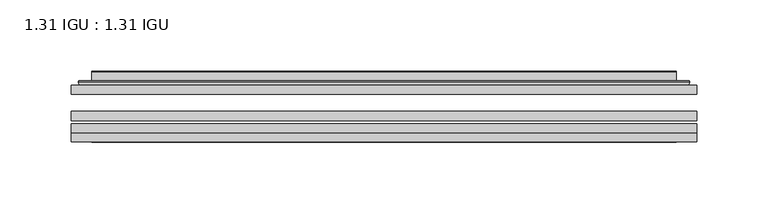
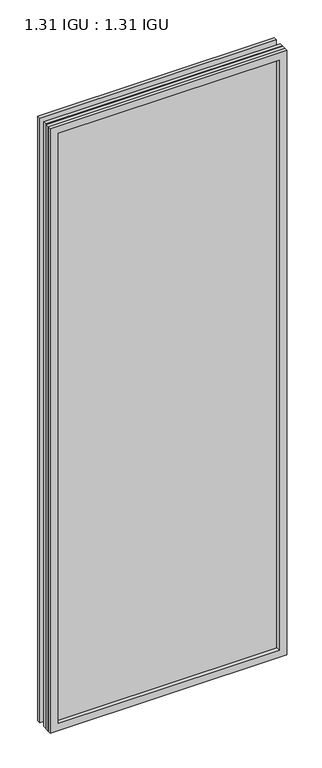
"""IFC4 building model written with IfcOpenShell, lengths in millimetres: plate geometry, 1.31 IGU : 1.31 IGU."""

from ifc_helpers import new_model, si_unit, frame, origin, place, context, project, spatial, polyline, ellipse_curve, outline, extrude, faceted_brep, source, transform, mapped, element, save
from ifc_brep_helpers import plane_surface, cylinder_surface, advanced_brep


def plate_1_31_igu_1_31_igu_5d837920(model_context):
    return source(origin(), model_context, "Body", "SolidModel", [
        extrude(outline(polyline([(219.089175, -63.59525), (219.089175, -69.94525), (-219.075, -69.94525), (-219.075, -63.59525), (219.089175, -63.59525)])), frame((0.0, 0.0, -14.2875), z_axis=(0.0, 0.0, 1.0), x_axis=(1.0, 0.0, 0.0)), (0.0, 0.0, 1.0), 1184.2787979),
        extrude(outline(polyline([(-219.075, -78.58125), (-219.075, -72.230745), (219.089175, -72.230745), (219.089175, -78.58125), (-219.075, -78.58125)])), frame((0.0, 0.0, -14.2875), z_axis=(0.0, 0.0, 1.0), x_axis=(1.0, 0.0, 0.0)), (0.0, 0.0, 1.0), 1184.2787979),
        extrude(outline(polyline([(219.089175, -45.25645), (219.089175, -51.60645), (-219.075, -51.60645), (-219.075, -45.25645), (219.089175, -45.25645)])), frame((0.0, 0.0, -14.2875), z_axis=(0.0, 0.0, 1.0), x_axis=(1.0, 0.0, 0.0)), (0.0, 0.0, 1.0), 1184.2787979),
        faceted_brep([(-219.0877, -84.93125, 1170.0002), (-219.0877, -78.58125, 1170.0002), (-219.0877, -78.58125, -14.3002), (-219.0877, -84.93125, -14.3002), (219.0877, -78.58125, -14.3002), (219.0877, -84.93125, -14.3002), (219.0877, -78.58125, 1170.0002), (219.0877, -84.93125, 1170.0002), (-203.8897559, -78.58125, 0.8977441), (203.8897559, -78.58125, 0.8977441), (203.8897559, -78.58125, 1154.8022559), (-203.8897559, -78.58125, 1154.8022559), (-204.7821902, -84.93125, 1155.6946902), (204.7821902, -84.93125, 1155.6946902), (204.7821902, -84.93125, 0.0053098), (-204.7821902, -84.93125, 0.0053098)], [[[0, 1, 2, 3]], [[3, 2, 4, 5]], [[5, 4, 6, 7]], [[1, 6, 4, 2], [8, 9, 10, 11]], [[7, 6, 1, 0]], [[3, 5, 7, 0], [12, 13, 14, 15]], [[11, 12, 15, 8]], [[8, 15, 14, 9]], [[9, 14, 13, 10]], [[10, 13, 12, 11]]]),
        advanced_brep(
        [(-211.833719, -45.25645, 1162.746219), (-214.1879244, -43.2667833, 1165.1004244), (-214.1879244, -43.2667833, -9.4004244), (-211.833719, -45.25645, -7.046219), (-202.7593939, -41.416413, 1153.6718939), (-197.8245621, -45.25645, 1148.7370621), (-197.8245621, -45.25645, 6.9629379), (-202.7593939, -41.416413, 2.0281061), (-203.7914217, -36.0191819, 1154.7039217), (-203.7914217, -36.0191819, 0.9960783), (-204.7820784, -35.6202069, 1155.6945784), (-204.7820784, -35.6202069, 0.0054216), (-204.7820784, -42.08145, 1155.6945784), (-204.7820784, -42.08145, 0.0054216), (-213.1861349, -42.08145, 1164.0986349), (-213.1861349, -42.08145, -8.3986349), (214.1879244, -43.2667833, -9.4004244), (211.833719, -45.25645, -7.046219), (197.8245621, -45.25645, 6.9629379), (202.7593939, -41.416413, 2.0281061), (203.7914217, -36.0191819, 0.9960783), (204.7820784, -35.6202069, 0.0054216), (204.7820784, -42.08145, 0.0054216), (213.1861349, -42.08145, -8.3986349), (214.1879244, -43.2667833, 1165.1004244), (211.833719, -45.25645, 1162.746219), (197.8245621, -45.25645, 1148.7370621), (202.7593939, -41.416413, 1153.6718939), (203.7914217, -36.0191819, 1154.7039217), (204.7820784, -35.6202069, 1155.6945784), (204.7820784, -42.08145, 1155.6945784), (213.1861349, -42.08145, 1164.0986349)],
        [
            (0, 1, ellipse_curve(frame((-211.833719, -42.86885, 1162.746219), z_axis=(-0.7071067811865475, 0.0, -0.7071067811865475), x_axis=(-0.7071067811865474, 0.0, 0.7071067811865476)), 3.3765763, 2.3876)),
            (1, 2),
            (2, 3, ellipse_curve(frame((-211.833719, -42.86885, -7.046219), z_axis=(-0.7071067811865475, 0.0, 0.7071067811865475), x_axis=(0.7071067811865474, 0.0, 0.7071067811865476)), 3.3765763, 2.3876)),
            (3, 0),
            (4, 5),
            (5, 6),
            (6, 7),
            (7, 4),
            (8, 4),
            (7, 9),
            (9, 8),
            (10, 8, ellipse_curve(frame((-204.4151219, -36.1384423, 1155.3276219), z_axis=(-0.7071067811865475, 0.0, -0.7071067811865475), x_axis=(-0.7071067811865474, 0.0, 0.7071067811865476)), 0.8980256, 0.635)),
            (9, 11, ellipse_curve(frame((-204.4151219, -36.1384423, 0.3723781), z_axis=(-0.7071067811865475, 0.0, 0.7071067811865475), x_axis=(0.7071067811865474, 0.0, 0.7071067811865476)), 0.8980256, 0.635)),
            (11, 10),
            (12, 10),
            (11, 13),
            (13, 12),
            (1, 14, ellipse_curve(frame((-213.1861349, -43.09745, 1164.0986349), z_axis=(-0.7071067811865475, 0.0, -0.7071067811865475), x_axis=(-0.7071067811865474, 0.0, 0.7071067811865476)), 1.436841, 1.016)),
            (14, 15),
            (15, 2, ellipse_curve(frame((-213.1861349, -43.09745, -8.3986349), z_axis=(-0.7071067811865475, 0.0, 0.7071067811865475), x_axis=(0.7071067811865474, 0.0, 0.7071067811865476)), 1.436841, 1.016)),
            (2, 16),
            (16, 17, ellipse_curve(frame((211.833719, -42.86885, -7.046219), z_axis=(-0.7071067811865475, 0.0, -0.7071067811865475), x_axis=(-0.7071067811865476, 0.0, 0.7071067811865474)), 3.3765763, 2.3876)),
            (17, 3),
            (6, 18),
            (18, 19),
            (19, 7),
            (19, 20),
            (20, 9),
            (20, 21, ellipse_curve(frame((204.4151219, -36.1384423, 0.3723781), z_axis=(-0.7071067811865475, 0.0, -0.7071067811865475), x_axis=(-0.7071067811865476, 0.0, 0.7071067811865474)), 0.8980256, 0.635)),
            (21, 11),
            (21, 22),
            (22, 13),
            (15, 23),
            (23, 16, ellipse_curve(frame((213.1861349, -43.09745, -8.3986349), z_axis=(-0.7071067811865475, 0.0, -0.7071067811865475), x_axis=(-0.7071067811865476, 0.0, 0.7071067811865474)), 1.436841, 1.016)),
            (16, 24),
            (24, 25, ellipse_curve(frame((211.833719, -42.86885, 1162.746219), z_axis=(0.7071067811865475, 0.0, -0.7071067811865475), x_axis=(-0.7071067811865474, 0.0, -0.7071067811865476)), 3.3765763, 2.3876)),
            (25, 17),
            (18, 26),
            (26, 27),
            (27, 19),
            (27, 28),
            (28, 20),
            (28, 29, ellipse_curve(frame((204.4151219, -36.1384423, 1155.3276219), z_axis=(0.7071067811865475, 0.0, -0.7071067811865475), x_axis=(-0.7071067811865474, 0.0, -0.7071067811865476)), 0.8980256, 0.635)),
            (29, 21),
            (29, 30),
            (30, 22),
            (23, 31),
            (31, 24, ellipse_curve(frame((213.1861349, -43.09745, 1164.0986349), z_axis=(0.7071067811865475, 0.0, -0.7071067811865475), x_axis=(-0.7071067811865474, 0.0, -0.7071067811865476)), 1.436841, 1.016)),
            (24, 1),
            (0, 25),
            (5, 26),
            (4, 27),
            (8, 28),
            (10, 29),
            (12, 30),
            (14, 31),
        ],
        [
            cylinder_surface(frame((-211.833719, -42.86885, 1187.45), z_axis=(0.0, 0.0, 1.0), x_axis=(-1.0, 0.0, 0.0)), 2.3876),
            plane_surface(frame((-197.8245621, -45.25645, 1148.7370621), z_axis=(0.6141233906514794, 0.7892100234124821, 0.0), x_axis=(0.0, 0.0, -1.0))),
            plane_surface(frame((-202.7593939, -41.416413, 1153.6718939), z_axis=(0.9822050625507729, 0.18781164793386076, 0.0), x_axis=(0.0, 0.0, -1.0))),
            cylinder_surface(frame((-204.4151219, -36.1384423, 1187.45), z_axis=(0.0, 0.0, 1.0), x_axis=(-1.0, 0.0, 0.0)), 0.635),
            plane_surface(frame((-204.7820784, -35.6202069, 1155.6945784), z_axis=(-1.0, 0.0, 0.0), x_axis=(0.0, 0.0, -1.0))),
            cylinder_surface(frame((-213.1861349, -43.09745, 1187.45), z_axis=(0.0, 0.0, 1.0), x_axis=(-1.0, 0.0, 0.0)), 1.016),
            cylinder_surface(frame((-236.5375, -42.86885, -7.046219), z_axis=(-1.0, 0.0, 0.0), x_axis=(0.0, 0.0, -1.0)), 2.3876),
            plane_surface(frame((-197.8245621, -45.25645, 6.9629379), z_axis=(0.0, 0.7892100234124841, 0.6141233906514768), x_axis=(1.0, 0.0, 0.0))),
            plane_surface(frame((-202.7593939, -41.416413, 2.0281061), z_axis=(0.0, 0.18781164793386393, 0.9822050625507723), x_axis=(1.0, 0.0, 0.0))),
            cylinder_surface(frame((-236.5375, -36.1384423, 0.3723781), z_axis=(-1.0, 0.0, 0.0), x_axis=(0.0, 0.0, -1.0)), 0.635),
            plane_surface(frame((-204.7820784, -35.6202069, 0.0054216), z_axis=(0.0, 0.0, -1.0), x_axis=(1.0, 0.0, 0.0))),
            cylinder_surface(frame((-236.5375, -43.09745, -8.3986349), z_axis=(-1.0, 0.0, 0.0), x_axis=(0.0, 0.0, -1.0)), 1.016),
            cylinder_surface(frame((211.833719, -42.86885, -31.75), z_axis=(0.0, 0.0, -1.0), x_axis=(1.0, 0.0, 0.0)), 2.3876),
            plane_surface(frame((197.8245621, -45.25645, 6.9629379), z_axis=(-0.6141233906514743, 0.7892100234124861, 0.0), x_axis=(0.0, 0.0, 1.0))),
            plane_surface(frame((202.7593939, -41.416413, 2.0281061), z_axis=(-0.9822050625507718, 0.1878116479338671, 0.0), x_axis=(0.0, 0.0, 1.0))),
            cylinder_surface(frame((204.4151219, -36.1384423, -31.75), z_axis=(0.0, 0.0, -1.0), x_axis=(1.0, 0.0, 0.0)), 0.635),
            plane_surface(frame((204.7820784, -35.6202069, 0.0054216), z_axis=(1.0, 0.0, 0.0), x_axis=(0.0, 0.0, 1.0))),
            cylinder_surface(frame((213.1861349, -43.09745, -31.75), z_axis=(0.0, 0.0, -1.0), x_axis=(1.0, 0.0, 0.0)), 1.016),
            cylinder_surface(frame((236.5375, -42.86885, 1162.746219), z_axis=(1.0, 0.0, 0.0), x_axis=(0.0, 0.0, 1.0)), 2.3876),
            plane_surface(frame((211.833719, -45.25645, 1162.746219), z_axis=(0.0, -1.0, 0.0), x_axis=(-1.0, 0.0, 0.0))),
            plane_surface(frame((197.8245621, -45.25645, 1148.7370621), z_axis=(0.0, 0.7892100234124841, -0.6141233906514768), x_axis=(-1.0, 0.0, 0.0))),
            plane_surface(frame((202.7593939, -41.416413, 1153.6718939), z_axis=(0.0, 0.18781164793386393, -0.9822050625507723), x_axis=(-1.0, 0.0, 0.0))),
            cylinder_surface(frame((236.5375, -36.1384423, 1155.3276219), z_axis=(1.0, 0.0, 0.0), x_axis=(0.0, 0.0, 1.0)), 0.635),
            plane_surface(frame((204.7820784, -35.6202069, 1155.6945784), z_axis=(0.0, 0.0, 1.0), x_axis=(-1.0, 0.0, 0.0))),
            plane_surface(frame((204.7820784, -42.08145, 1155.6945784), z_axis=(0.0, 1.0, 0.0), x_axis=(-1.0, 0.0, 0.0))),
            cylinder_surface(frame((236.5375, -43.09745, 1164.0986349), z_axis=(1.0, 0.0, 0.0), x_axis=(0.0, 0.0, 1.0)), 1.016),
        ],
        [
            (0, [[1, 2, 3, 4]]),
            (1, [[5, 6, 7, 8]]),
            (2, [[9, -8, 10, 11]]),
            (3, [[12, -11, 13, 14]]),
            (4, [[15, -14, 16, 17]]),
            (5, [[18, 19, 20, -2]]),
            (6, [[-3, 21, 22, 23]]),
            (7, [[-7, 24, 25, 26]]),
            (8, [[-10, -26, 27, 28]]),
            (9, [[-13, -28, 29, 30]]),
            (10, [[-16, -30, 31, 32]]),
            (11, [[-20, 33, 34, -21]]),
            (12, [[-22, 35, 36, 37]]),
            (13, [[-25, 38, 39, 40]]),
            (14, [[-27, -40, 41, 42]]),
            (15, [[-29, -42, 43, 44]]),
            (16, [[-31, -44, 45, 46]]),
            (17, [[-34, 47, 48, -35]]),
            (18, [[-36, 49, -1, 50]]),
            (19, [[-23, -37, -50, -4], [51, -38, -24, -6]]),
            (20, [[-39, -51, -5, 52]]),
            (21, [[-41, -52, -9, 53]]),
            (22, [[-43, -53, -12, 54]]),
            (23, [[-45, -54, -15, 55]]),
            (24, [[56, -47, -33, -19], [-32, -46, -55, -17]]),
            (25, [[-48, -56, -18, -49]]),
        ],
    ),
    ])


if __name__ == "__main__":
    model = new_model("IFC4")
    model_context = context("Model", 3, world=origin())
    ifc_project = project(units=[si_unit("LENGTHUNIT", "METRE", prefix="MILLI")], contexts=[model_context])
    site = spatial("IfcSite", under=ifc_project)
    building = spatial("IfcBuilding", under=site)
    placement = place(None, origin())
    plate_1_31_igu_1_31_igu_shape = plate_1_31_igu_1_31_igu_5d837920(model_context)
    element("IfcPlate", 1, ObjectType="1.31 IGU : 1.31 IGU", at=placement, inside=building, context=model_context, shape_type="MappedRepresentation", body=[
        mapped(plate_1_31_igu_1_31_igu_shape, transform((0.0, 0.0, 0.0), x_axis=(1.0, 0.0, 0.0), y_axis=(0.0, 1.0, 0.0), z_axis=(0.0, 0.0, 1.0))),
    ])
    save(model, "model.ifc")
